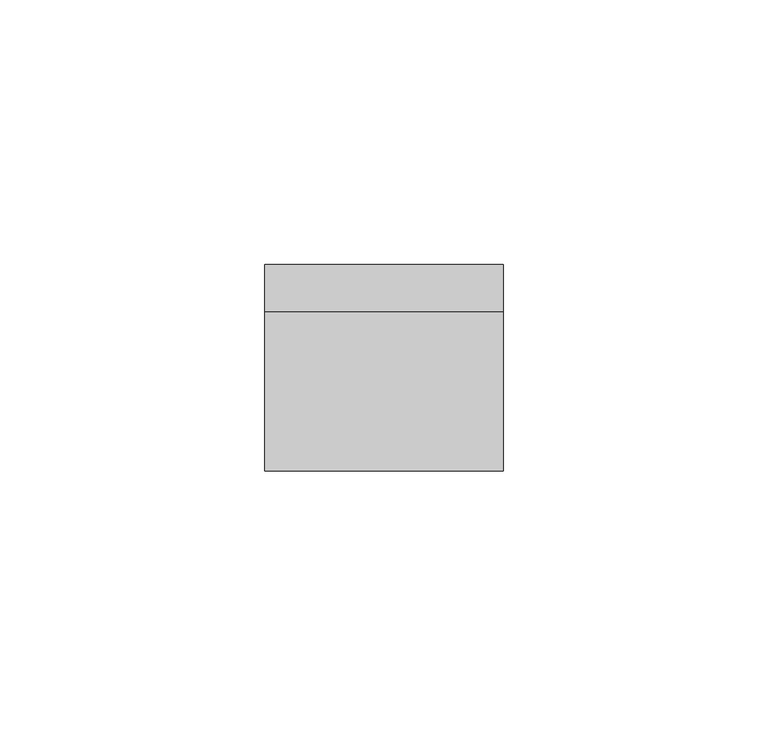
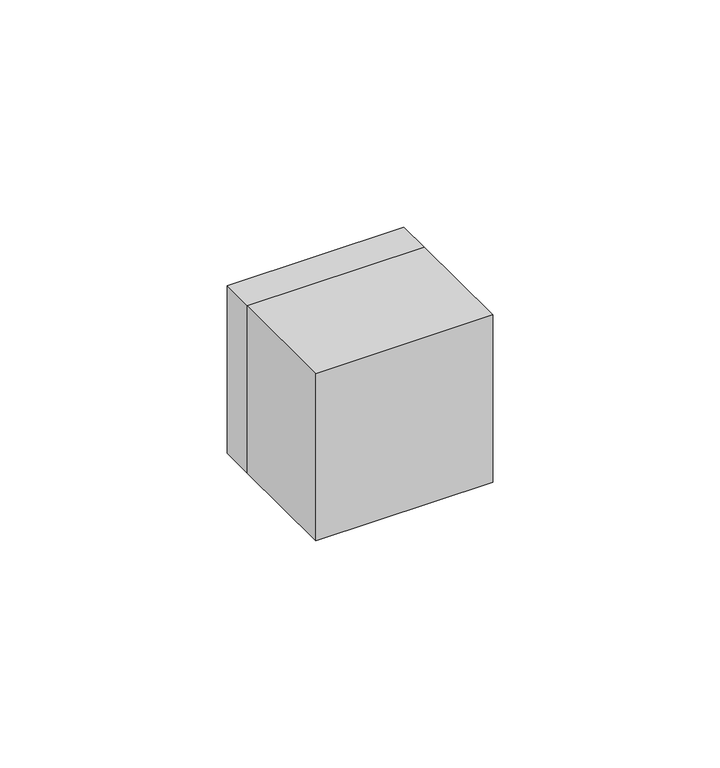
"""IFC4 building model written with IfcOpenShell, lengths in millimetres: electric appliance geometry."""

from ifc_helpers import new_model, si_unit, point, frame, frame_2d, origin, place, context, project, spatial, polyline, circle_curve, trimmed, segment, composite_curve, outline, extrude, source, transform, mapped, element, save


def electric_appliance_12eb293e(model_context):
    return source(origin(), model_context, "Body", "SweptSolid", [
        extrude(outline(composite_curve([segment(trimmed(circle_curve(frame_2d((0.0, -7.5)), 1.9), [point((0.0, -5.6))], [point((0.0, -9.4))], False, "CARTESIAN"), True, "CONTINUOUS"), segment(trimmed(circle_curve(frame_2d((0.0, -7.5)), 1.9), [point((0.0, -9.4))], [point((0.0, -5.6))], False, "CARTESIAN"), True, "CONTINUOUS")], self_intersect=False), holes=[composite_curve([segment(trimmed(circle_curve(frame_2d((0.0, -7.5)), 1.6), [point((0.0, -9.1))], [point((0.0, -5.9))], True, "CARTESIAN"), True, "CONTINUOUS"), segment(trimmed(circle_curve(frame_2d((0.0, -7.5)), 1.6), [point((0.0, -5.9))], [point((0.0, -9.1))], True, "CARTESIAN"), True, "CONTINUOUS")], self_intersect=False)]), frame((0.0, 0.0, 0.0), z_axis=(0.0, 1.0, 0.0), x_axis=(0.0, 0.0, 1.0)), (0.0, 0.0, 1.0), 9.0),
        extrude(outline(composite_curve([segment(trimmed(circle_curve(frame_2d((0.0, -7.5)), 5.8), [point((0.0, -1.7))], [point((0.0, -13.3))], False, "CARTESIAN"), True, "CONTINUOUS"), segment(trimmed(circle_curve(frame_2d((0.0, -7.5)), 5.8), [point((0.0, -13.3))], [point((0.0, -1.7))], False, "CARTESIAN"), True, "CONTINUOUS")], self_intersect=False), holes=[composite_curve([segment(trimmed(circle_curve(frame_2d((0.0, -7.5)), 5.5), [point((0.0, -2.0))], [point((0.0, -13.0))], True, "CARTESIAN"), True, "CONTINUOUS"), segment(trimmed(circle_curve(frame_2d((0.0, -7.5)), 5.5), [point((0.0, -13.0))], [point((0.0, -2.0))], True, "CARTESIAN"), True, "CONTINUOUS")], self_intersect=False)]), frame((0.0, 0.0, 0.0), z_axis=(0.0, 1.0, 0.0), x_axis=(0.0, 0.0, 1.0)), (0.0, 0.0, 1.0), 9.0),
        extrude(outline(polyline([(12.5, 0.0), (2.5, 0.0), (2.5, 6.0), (12.5, 6.0), (12.5, 0.0)])), frame((0.0, 0.0, 3.0), z_axis=(0.0, 0.0, 1.0), x_axis=(1.0, 0.0, 0.0)), (0.0, 0.0, 1.0), 1.0),
        extrude(outline(polyline([(22.5, -30.0), (-22.5, -30.0), (-22.5, 0.0), (22.5, 0.0), (22.5, -30.0)])), frame((0.0, 0.0, -22.5), z_axis=(0.0, 0.0, 1.0), x_axis=(1.0, 0.0, 0.0)), (0.0, 0.0, 1.0), 45.0),
        extrude(outline(polyline([(22.5, 22.5), (22.5, -22.5), (-22.5, -22.5), (-22.5, 22.5), (22.5, 22.5)]), holes=[polyline([(-7.0, 1.0), (7.0, 1.0), (7.0, 14.0), (-7.0, 14.0), (-7.0, 1.0)]), composite_curve([segment(trimmed(circle_curve(frame_2d((0.0, -7.5)), 6.1), [point((0.0, -1.4))], [point((0.0, -13.6))], True, "CARTESIAN"), True, "CONTINUOUS"), segment(trimmed(circle_curve(frame_2d((0.0, -7.5)), 6.1), [point((0.0, -13.6))], [point((0.0, -1.4))], True, "CARTESIAN"), True, "CONTINUOUS")], self_intersect=False)]), frame((0.0, 0.0, 0.0), z_axis=(0.0, 1.0, 0.0), x_axis=(0.0, 0.0, 1.0)), (0.0, 0.0, 1.0), 9.0),
        extrude(outline(polyline([(6.8, 13.8), (6.8, 1.2), (-6.8, 1.2), (-6.8, 13.8), (6.8, 13.8)]), holes=[polyline([(-6.0, 9.5037086), (-6.0, 5.4962914), (-4.5, 5.4962914), (-4.5, 2.9962914), (-3.0, 2.9962914), (-3.0, 1.5), (4.0, 1.5), (4.0, 13.5), (-3.0, 13.5), (-3.0, 12.0037086), (-4.5, 12.0037086), (-4.5, 9.5037086), (-6.0, 9.5037086)])]), frame((0.0, 0.0, 0.0), z_axis=(0.0, 1.0, 0.0), x_axis=(0.0, 0.0, 1.0)), (0.0, 0.0, 1.0), 9.0),
    ])


if __name__ == "__main__":
    model = new_model("IFC4")
    model_context = context("Model", 3, world=origin())
    ifc_project = project(units=[si_unit("LENGTHUNIT", "METRE", prefix="MILLI")], contexts=[model_context])
    site = spatial("IfcSite", under=ifc_project)
    building = spatial("IfcBuilding", under=site)
    placement = place(None, origin())
    electric_appliance_shape = electric_appliance_12eb293e(model_context)
    element("IfcElectricAppliance", 1, at=placement, inside=building, context=model_context, shape_type="MappedRepresentation", body=[
        mapped(electric_appliance_shape, transform((0.0, 0.0, 0.0), x_axis=(1.0, 0.0, 0.0), y_axis=(0.0, 1.0, 0.0), z_axis=(0.0, 0.0, 1.0))),
    ])
    save(model, "model.ifc")
